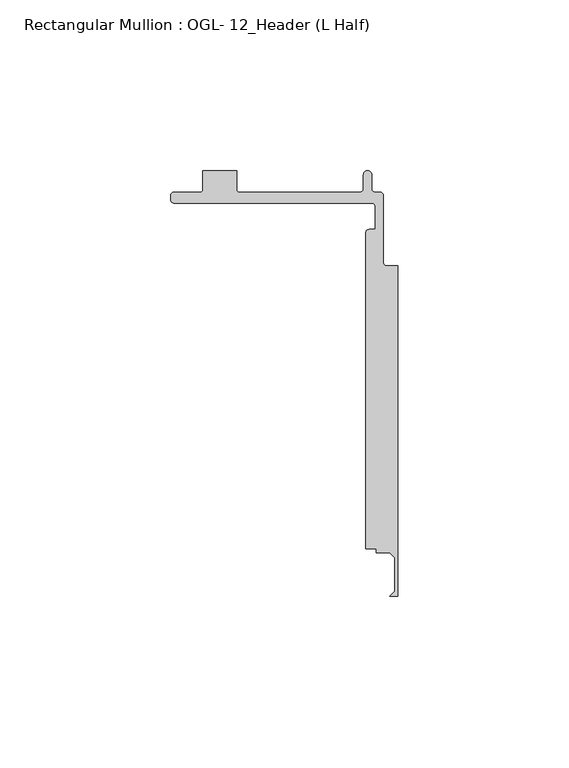
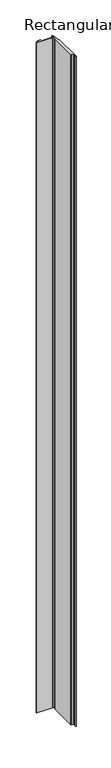
"""IFC4 building model written with IfcOpenShell, lengths in millimetres: member geometry, Rectangular Mullion : OGL- 12_Header (L Half)."""

from ifc_helpers import new_model, si_unit, point, frame, frame_2d, origin, place, context, project, spatial, polyline, circle_curve, trimmed, segment, composite_curve, outline, extrude, source, transform, mapped, element, save


def rectangular_mullion_ogl_12_header_l_half_79be090d(model_context):
    return source(origin(), model_context, "Body", "SweptSolid", [
        extrude(outline(composite_curve([segment(trimmed(circle_curve(frame_2d((-65.672665, 102.3767536)), 1.002335), [point((-65.672665, 101.3744186))], [point((-66.675, 102.3767536))], False, "CARTESIAN"), True, "CONTINUOUS"), segment(polyline([(-66.675, 102.3767536), (-66.675, 103.5392963)]), True, "CONTINUOUS"), segment(trimmed(circle_curve(frame_2d((-65.6648778, 103.5392963)), 1.0101222), [point((-66.675, 103.5392963))], [point((-65.6648778, 104.5494186))], False, "CARTESIAN"), True, "CONTINUOUS"), segment(polyline([(-65.6648778, 104.5494186), (-57.8154834, 104.5494186)]), True, "CONTINUOUS"), segment(trimmed(circle_curve(frame_2d((-57.8154834, 105.0903035)), 0.5408849), [point((-57.8154834, 104.5494186))], [point((-57.2745985, 105.0903035))], True, "CARTESIAN"), True, "CONTINUOUS"), segment(polyline([(-57.2745985, 105.0903035), (-57.2745985, 110.8877039), (-47.2119458, 110.8877039), (-47.2119458, 105.0574186)]), True, "CONTINUOUS"), segment(trimmed(circle_curve(frame_2d((-46.7039458, 105.0574186)), 0.508), [point((-47.2119458, 105.0574186))], [point((-46.7039458, 104.5494186))], True, "CARTESIAN"), True, "CONTINUOUS"), segment(polyline([(-46.7039458, 104.5494186), (-11.1449622, 104.5494186)]), True, "CONTINUOUS"), segment(trimmed(circle_curve(frame_2d((-11.1449622, 105.5654186)), 1.016), [point((-11.1449622, 104.5494186))], [point((-10.1289622, 105.5654186))], True, "CARTESIAN"), True, "CONTINUOUS"), segment(polyline([(-10.1289622, 105.5654186), (-10.1289622, 109.6962686)]), True, "CONTINUOUS"), segment(trimmed(circle_curve(frame_2d((-8.9220524, 109.6962686)), 1.2069098), [point((-10.1289622, 109.6962686))], [point((-7.7151426, 109.6962686))], False, "CARTESIAN"), True, "CONTINUOUS"), segment(polyline([(-7.7151426, 109.6962686), (-7.7151426, 105.5654186)]), True, "CONTINUOUS"), segment(trimmed(circle_curve(frame_2d((-6.6991426, 105.5654186)), 1.016), [point((-7.7151426, 105.5654186))], [point((-6.6991426, 104.5494186))], True, "CARTESIAN"), True, "CONTINUOUS"), segment(polyline([(-6.6991426, 104.5494186), (-5.301323, 104.5494186)]), True, "CONTINUOUS"), segment(trimmed(circle_curve(frame_2d((-5.301323, 103.5334186)), 1.016), [point((-5.301323, 104.5494186))], [point((-4.285323, 103.5334186))], False, "CARTESIAN"), True, "CONTINUOUS"), segment(polyline([(-4.285323, 103.5334186), (-4.285323, 83.9556449)]), True, "CONTINUOUS"), segment(trimmed(circle_curve(frame_2d((-3.269323, 83.9556449)), 1.016), [point((-4.285323, 83.9556449))], [point((-3.269323, 82.9396449))], True, "CARTESIAN"), True, "CONTINUOUS"), segment(polyline([(-3.269323, 82.9396449), (0.0, 82.9396449), (-0.0001658, -13.8441035), (-2.3814158, -13.8441035), (-1.0161658, -12.3917098), (-1.0161658, -2.5964971), (-2.3814158, -1.1441035), (-6.3501658, -1.1441035), (-6.3501658, 0.0), (-9.4358229, 0.0), (-9.4358229, 92.6498263)]), True, "CONTINUOUS"), segment(trimmed(circle_curve(frame_2d((-8.4584503, 92.6498263)), 0.9773726), [point((-9.4358229, 92.6498263))], [point((-8.4584503, 93.627199))], False, "CARTESIAN"), True, "CONTINUOUS"), segment(polyline([(-8.4584503, 93.627199), (-6.6991426, 93.627199), (-6.6991426, 100.3584186)]), True, "CONTINUOUS"), segment(trimmed(circle_curve(frame_2d((-7.7151426, 100.3584186)), 1.016), [point((-6.6991426, 100.3584186))], [point((-7.7151426, 101.3744186))], True, "CARTESIAN"), True, "CONTINUOUS"), segment(polyline([(-7.7151426, 101.3744186), (-65.672665, 101.3744186)]), True, "CONTINUOUS")], self_intersect=False)), frame((0.0, 0.0, -2392.3660402), z_axis=(0.0, 0.0, 1.0), x_axis=(1.0, 0.0, 0.0)), (0.0, 0.0, 1.0), 2392.3660402),
    ])


if __name__ == "__main__":
    model = new_model("IFC4")
    model_context = context("Model", 3, world=origin())
    ifc_project = project(units=[si_unit("LENGTHUNIT", "METRE", prefix="MILLI")], contexts=[model_context])
    site = spatial("IfcSite", under=ifc_project)
    building = spatial("IfcBuilding", under=site)
    placement = place(None, origin())
    rectangular_mullion_ogl_12_header_l_half_shape = rectangular_mullion_ogl_12_header_l_half_79be090d(model_context)
    element("IfcMember", 1, ObjectType="Rectangular Mullion : OGL- 12_Header (L Half)", at=placement, inside=building, context=model_context, shape_type="MappedRepresentation", body=[
        mapped(rectangular_mullion_ogl_12_header_l_half_shape, transform((0.0, 0.0, 0.0), x_axis=(1.0, 0.0, 0.0), y_axis=(0.0, 1.0, 0.0), z_axis=(0.0, 0.0, 1.0))),
    ])
    save(model, "model.ifc")
